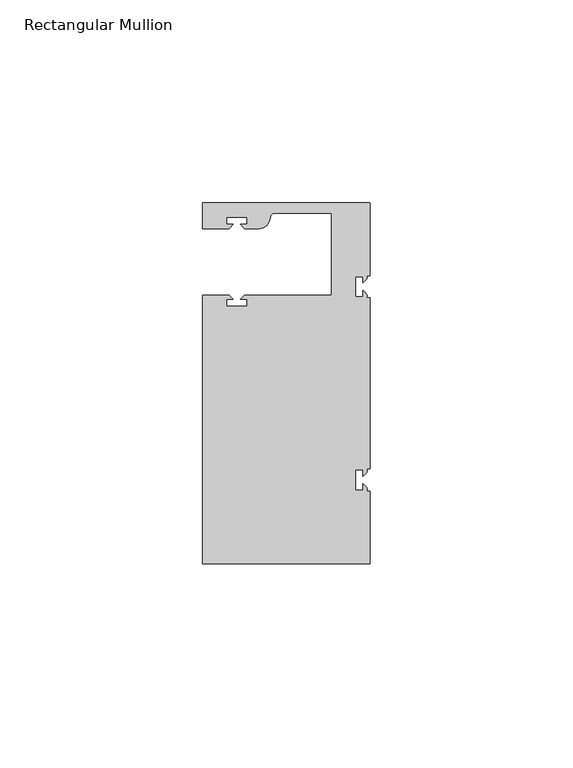
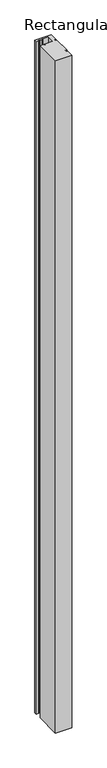
"""IFC4 building model written with IfcOpenShell, lengths in millimetres: member geometry, Rectangular Mullion."""

from ifc_helpers import new_model, si_unit, point, frame, frame_2d, origin, place, context, project, spatial, polyline, circle_curve, trimmed, segment, composite_curve, outline, extrude, source, transform, mapped, element, save


def rectangular_mullion_2327b2cb(model_context):
    return source(origin(), model_context, "Body", "SweptSolid", [
        extrude(outline(composite_curve([segment(polyline([(0.0, 44.45), (0.0, 26.5319902), (-0.79375, 26.5319902), (-0.79375, 25.7382402), (-1.7937657, 24.7382245), (-1.7937657, 26.3124974), (-3.5938131, 26.3124974), (-3.5938131, 21.3125026), (-1.7937657, 21.3125026), (-1.7937657, 22.88674), (-0.79375, 21.8867243), (-0.79375, 21.0930098), (0.0, 21.0930098), (0.0, -21.0930098), (-0.79375, -21.0930098), (-0.79375, -21.8867598), (-1.7937657, -22.8867755), (-1.7937657, -21.3125026), (-3.5938131, -21.3125026), (-3.5938131, -26.3124974), (-1.7937657, -26.3124974), (-1.7937657, -24.73826), (-0.79375, -25.7382757), (-0.79375, -26.5319902), (0.0, -26.5319902), (0.0, -44.45), (-41.275, -44.45), (-41.275, 21.749999), (-34.8007562, 21.749999), (-33.8007405, 20.7499834), (-35.3750134, 20.7499834), (-35.3750134, 18.949936), (-30.3750186, 18.949936), (-30.3750186, 20.7499834), (-31.949256, 20.7499834), (-30.9492434, 21.7499959), (-9.525, 21.7499959), (-9.525, 41.95), (-23.5599329, 41.95)]), True, "CONTINUOUS"), segment(trimmed(circle_curve(frame_2d((-23.5599329, 40.9500001)), 1.0), [point((-23.5599329, 41.95))], [point((-24.5258588, 41.2088192))], True, "CARTESIAN"), True, "CONTINUOUS"), segment(polyline([(-24.5258588, 41.2088192), (-24.8489707, 40.002949)]), True, "CONTINUOUS"), segment(trimmed(circle_curve(frame_2d((-27.2637853, 40.6499966)), 2.5), [point((-24.8489707, 40.002949))], [point((-27.2637853, 38.1499966))], False, "CARTESIAN"), True, "CONTINUOUS"), segment(polyline([(-27.2637853, 38.1499966), (-30.9492503, 38.1499966), (-31.949256, 39.1500023), (-30.3749831, 39.1500023), (-30.3749831, 40.9498819), (-35.3749778, 40.9498819), (-35.3749778, 39.1500023), (-33.8007405, 39.1500023), (-34.8007531, 38.1499897), (-41.2749977, 38.1499897), (-41.2749977, 44.45), (0.0, 44.45)]), True, "CONTINUOUS")], self_intersect=False)), frame((0.0, 0.0, -1778.0), z_axis=(0.0, 0.0, 1.0), x_axis=(1.0, 0.0, 0.0)), (0.0, 0.0, 1.0), 1778.0),
    ])


if __name__ == "__main__":
    model = new_model("IFC4")
    model_context = context("Model", 3, world=origin())
    ifc_project = project(units=[si_unit("LENGTHUNIT", "METRE", prefix="MILLI")], contexts=[model_context])
    site = spatial("IfcSite", under=ifc_project)
    building = spatial("IfcBuilding", under=site)
    placement = place(None, origin())
    rectangular_mullion_shape = rectangular_mullion_2327b2cb(model_context)
    element("IfcMember", 1, ObjectType="Rectangular Mullion", at=placement, inside=building, context=model_context, shape_type="MappedRepresentation", body=[
        mapped(rectangular_mullion_shape, transform((0.0, 0.0, 0.0), x_axis=(1.0, 0.0, 0.0), y_axis=(0.0, 1.0, 0.0), z_axis=(0.0, 0.0, 1.0))),
    ])
    save(model, "model.ifc")
